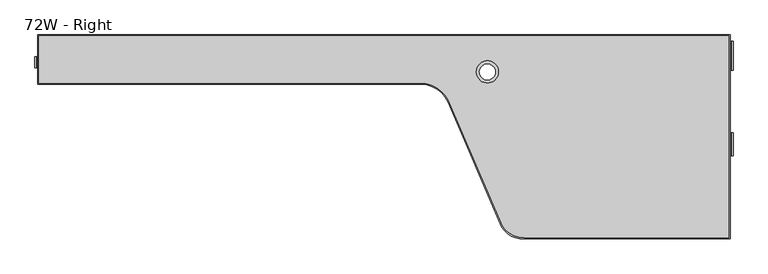
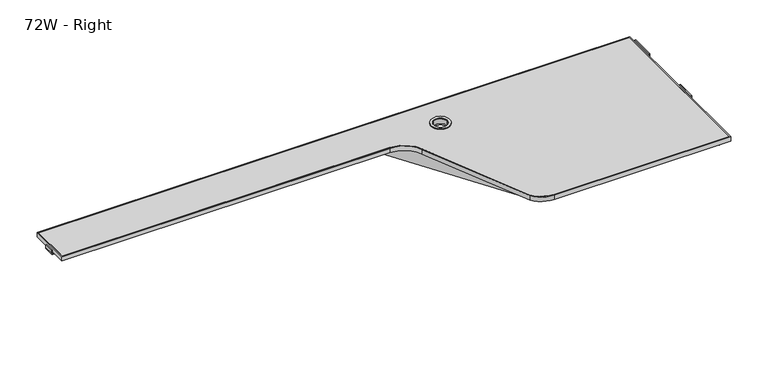
"""IFC4 building model written with IfcOpenShell, lengths in millimetres: furniture geometry, 72W - Right."""

from ifc_helpers import new_model, si_unit, point, frame, frame_2d, origin, place, context, project, spatial, polyline, circle_curve, trimmed, segment, composite_curve, outline, extrude, faceted_brep, source, transform, mapped, element, save
from ifc_brep_helpers import plane_surface, cylinder_surface, revolved_surface, advanced_brep


def furniture_72w_right_2cdcb562(model_context):
    return source(origin(), model_context, "Body", "SolidModel", [
        faceted_brep([(1204.3366315, 798.3804985, 984.3365257), (1134.6016381, 798.3804985, 984.3365257), (1134.6016381, 798.3804985, 1041.4865257), (1204.3366315, 798.3804985, 1041.4865257), (1399.7332275, 353.2724638, 1039.9118156), (1399.7332275, 353.2724638, 1041.4865257), (1379.6232345, 353.2724638, 1041.4865257), (1379.6232345, 353.2724638, 1007.3133509), (1399.7332275, 353.2724638, 1007.3133509), (1399.7332275, 353.2724638, 1008.3955413), (1381.766961, 353.2724638, 1008.3955413), (1381.766961, 353.2724638, 1039.9118156)], [[[0, 1, 2, 3]], [[4, 5, 6, 7, 8, 9, 10, 11]], [[4, 11, 0]], [[11, 10, 0]], [[8, 7, 1, 0]], [[10, 9, 0]], [[9, 8, 0]], [[7, 6, 2, 1]], [[6, 5, 3, 2]], [[5, 4, 0, 3]]]),
        faceted_brep([(1903.2924133, 298.0312383, 1041.4865257), (1903.2924133, 298.0312383, 1040.1793583), (1903.2924133, 309.9526244, 1040.1793583), (1903.2924133, 309.9526244, 1031.5145776), (1903.2924133, 337.4886594, 1010.7646869), (1903.2924133, 353.2724638, 1010.7646869), (1903.2924133, 353.2724638, 1041.4865257), (1381.8049901, 353.2724638, 1041.4865257), (1399.7332275, 313.0049832, 1041.4865257), (1399.7332275, 298.0312383, 1041.4865257), (1381.8049901, 353.2724638, 1010.7646869), (1388.8323926, 337.4886594, 1010.7646869), (1399.7332275, 309.9526244, 1031.5145776), (1399.7332275, 313.0049832, 1029.2144603), (1399.7332275, 309.9526244, 1040.1793583), (1399.7332275, 298.0312383, 1040.1793583)], [[[0, 1, 2, 3, 4, 5, 6]], [[0, 6, 7, 8, 9]], [[6, 5, 10, 7]], [[5, 4, 11, 10]], [[4, 3, 12, 13, 11]], [[3, 2, 14, 12]], [[2, 1, 15, 14]], [[1, 0, 9, 15]], [[8, 13, 12, 14, 15, 9]], [[13, 8, 7, 10, 11]]]),
        extrude(outline(composite_curve([segment(polyline([(1043.0122331, 146.3611724), (1052.5780574, 146.3611724), (1052.5780574, 143.3229857), (1043.4087962, 143.3229857)]), True, "CONTINUOUS"), segment(trimmed(circle_curve(frame_2d((1043.4087962, 148.5250221)), 5.2020364), [point((1043.4087962, 143.3229857))], [point((1038.2067598, 148.5250221))], False, "CARTESIAN"), True, "CONTINUOUS"), segment(polyline([(1038.2067598, 148.5250221), (1038.2067598, 171.0287862), (1041.2445831, 171.0287862), (1041.2445831, 148.1288223)]), True, "CONTINUOUS"), segment(trimmed(circle_curve(frame_2d((1043.0122331, 148.1288223)), 1.7676499), [point((1041.2445831, 148.1288223))], [point((1043.0122331, 146.3611724))], True, "CARTESIAN"), True, "CONTINUOUS")], self_intersect=False)), frame((0.0, 731.0843589, 0.0), z_axis=(0.0, 1.0, 0.0), x_axis=(0.0, 0.0, 1.0)), (0.0, 0.0, 1.0), 28.5750242),
        extrude(outline(composite_curve([segment(polyline([(153.4, 691.0157049), (153.4, 812.4281826), (1925.05, 812.4281826), (1925.05, 294.1411651), (1399.7332275, 294.1411651)]), True, "CONTINUOUS"), segment(trimmed(circle_curve(frame_2d((1399.7332275, 360.8351796)), 66.6940145), [point((1399.7332275, 294.1411651))], [point((1344.3613504, 323.6592897))], False, "CARTESIAN"), True, "CONTINUOUS"), segment(polyline([(1344.3613504, 323.6592897), (1204.3366315, 648.623779)]), True, "CONTINUOUS"), segment(trimmed(circle_curve(frame_2d((1134.6016381, 612.4624834)), 78.5532215), [point((1204.3366315, 648.623779))], [point((1134.6016381, 691.0157049))], True, "CARTESIAN"), True, "CONTINUOUS"), segment(polyline([(1134.6016381, 691.0157049), (153.4, 691.0157049)]), True, "CONTINUOUS")], self_intersect=False), holes=[composite_curve([segment(trimmed(circle_curve(frame_2d((1305.0079342, 720.0618051)), 20.4182782), [point((1284.589656, 720.0618051))], [point((1325.4262125, 720.0618051))], True, "CARTESIAN"), True, "CONTINUOUS"), segment(trimmed(circle_curve(frame_2d((1305.0079342, 720.0618051)), 20.4182782), [point((1325.4262125, 720.0618051))], [point((1284.589656, 720.0618051))], True, "CARTESIAN"), True, "CONTINUOUS")], self_intersect=False)]), frame((0.0, 0.0, 1041.4865257), z_axis=(0.0, 0.0, 1.0), x_axis=(1.0, 0.0, 0.0)), (0.0, 0.0, 1.0), 13.9699806),
        advanced_brep(
        [(1903.2924133, 724.9765806, 1033.5003172), (1906.3294373, 724.9765806, 1033.5003172), (1906.3294373, 724.9765806, 1036.2789253), (1908.2572718, 724.9765806, 1038.2067598), (1931.09999, 724.9765806, 1038.2067598), (1936.3020264, 724.9765806, 1043.4087962), (1936.3020264, 724.9765806, 1052.5780574), (1933.2638397, 724.9765806, 1052.5780574), (1933.2638397, 724.9765806, 1043.0122331), (1931.4961898, 724.9765806, 1041.2445831), (1908.5962259, 724.9765806, 1041.2445831), (1903.2924133, 724.9765806, 1035.9407705), (1903.2924133, 564.321009, 1033.5003172), (1906.3294373, 564.321009, 1033.5003172), (1903.2924133, 564.321009, 1035.9407705), (1908.5962259, 564.321009, 1041.2445831), (1931.4961898, 564.321009, 1041.2445831), (1933.2638397, 564.321009, 1043.0122331), (1933.2638397, 564.321009, 1052.5780574), (1936.3020264, 564.321009, 1052.5780574), (1936.3020264, 564.321009, 1043.4087962), (1931.09999, 564.321009, 1038.2067598), (1908.2572718, 564.321009, 1038.2067598), (1906.3294373, 564.321009, 1036.2789253), (1903.2924133, 505.2663324, 1033.5003172), (1906.3294373, 505.2663324, 1033.5003172), (1906.3294373, 505.2663324, 1036.2789253), (1908.2572718, 505.2663324, 1038.2067598), (1931.09999, 505.2663324, 1038.2067598), (1936.3020264, 505.2663324, 1043.4087962), (1936.3020264, 505.2663324, 1052.5780574), (1933.2638397, 505.2663324, 1052.5780574), (1933.2638397, 505.2663324, 1043.0122331), (1931.4961898, 505.2663324, 1041.2445831), (1908.5962259, 505.2663324, 1041.2445831), (1903.2924133, 505.2663324, 1035.9407705), (1903.2924133, 309.4350479, 1033.5003172), (1906.3294373, 309.4350479, 1033.5003172), (1906.3294373, 798.5617693, 1033.5003172), (1903.2924133, 798.5617693, 1033.5003172), (1903.2924133, 798.5617693, 1035.9407705), (1908.5962259, 798.5617693, 1041.2445831), (1931.4961898, 798.5617693, 1041.2445831), (1933.2638397, 798.5617693, 1043.0122331), (1933.2638397, 798.5617693, 1052.5780574), (1936.3020264, 798.5617693, 1052.5780574), (1936.3020264, 798.5617693, 1043.4087962), (1931.09999, 798.5617693, 1038.2067598), (1908.2572718, 798.5617693, 1038.2067598), (1906.3294373, 798.5617693, 1036.2789253), (1903.2924133, 309.4350479, 1026.050419), (1906.3294373, 309.4350479, 1026.050419), (1903.2924133, 330.4740531, 1010.7646869), (1906.3294373, 330.4740531, 1010.7646869), (1906.3294373, 794.9607992, 1010.7646869), (1903.2924133, 794.9607992, 1010.7646869)],
        [
            (0, 1),
            (1, 2),
            (2, 3, circle_curve(frame((1908.2572718, 724.9765806, 1036.2789253), z_axis=(0.0, 1.0, 0.0), x_axis=(1.0, 0.0, 0.0)), 1.9278345)),
            (3, 4),
            (4, 5, circle_curve(frame((1931.09999, 724.9765806, 1043.4087962), z_axis=(0.0, -1.0, 0.0), x_axis=(1.0, 0.0, 0.0)), 5.2020364)),
            (5, 6),
            (6, 7),
            (7, 8),
            (8, 9, circle_curve(frame((1931.4961898, 724.9765806, 1043.0122331), z_axis=(0.0, 1.0, 0.0), x_axis=(1.0, 0.0, 0.0)), 1.7676499)),
            (9, 10),
            (10, 11, circle_curve(frame((1908.5962259, 724.9765806, 1035.9407705), z_axis=(0.0, -1.0, 0.0), x_axis=(1.0, 0.0, 0.0)), 5.3038126)),
            (11, 0),
            (0, 12),
            (12, 13),
            (13, 1),
            (12, 14),
            (14, 15, circle_curve(frame((1908.5962259, 564.321009, 1035.9407705), z_axis=(0.0, 1.0, 0.0), x_axis=(1.0, 0.0, 0.0)), 5.3038126)),
            (15, 16),
            (16, 17, circle_curve(frame((1931.4961898, 564.321009, 1043.0122331), z_axis=(0.0, -1.0, 0.0), x_axis=(1.0, 0.0, 0.0)), 1.7676499)),
            (17, 18),
            (18, 19),
            (19, 20),
            (20, 21, circle_curve(frame((1931.09999, 564.321009, 1043.4087962), z_axis=(0.0, 1.0, 0.0), x_axis=(1.0, 0.0, 0.0)), 5.2020364)),
            (21, 22),
            (22, 23, circle_curve(frame((1908.2572718, 564.321009, 1036.2789253), z_axis=(0.0, -1.0, 0.0), x_axis=(1.0, 0.0, 0.0)), 1.9278345)),
            (23, 13),
            (24, 25),
            (25, 26),
            (26, 27, circle_curve(frame((1908.2572718, 505.2663324, 1036.2789253), z_axis=(0.0, 1.0, 0.0), x_axis=(1.0, 0.0, 0.0)), 1.9278345)),
            (27, 28),
            (28, 29, circle_curve(frame((1931.09999, 505.2663324, 1043.4087962), z_axis=(0.0, -1.0, 0.0), x_axis=(1.0, 0.0, 0.0)), 5.2020364)),
            (29, 30),
            (30, 31),
            (31, 32),
            (32, 33, circle_curve(frame((1931.4961898, 505.2663324, 1043.0122331), z_axis=(0.0, 1.0, 0.0), x_axis=(1.0, 0.0, 0.0)), 1.7676499)),
            (33, 34),
            (34, 35, circle_curve(frame((1908.5962259, 505.2663324, 1035.9407705), z_axis=(0.0, -1.0, 0.0), x_axis=(1.0, 0.0, 0.0)), 5.3038126)),
            (35, 24),
            (24, 36),
            (36, 37),
            (37, 25),
            (38, 39),
            (39, 40),
            (40, 41, circle_curve(frame((1908.5962259, 798.5617693, 1035.9407705), z_axis=(0.0, 1.0, 0.0), x_axis=(1.0, 0.0, 0.0)), 5.3038126)),
            (41, 42),
            (42, 43, circle_curve(frame((1931.4961898, 798.5617693, 1043.0122331), z_axis=(0.0, -1.0, 0.0), x_axis=(1.0, 0.0, 0.0)), 1.7676499)),
            (43, 44),
            (44, 45),
            (45, 46),
            (46, 47, circle_curve(frame((1931.09999, 798.5617693, 1043.4087962), z_axis=(0.0, 1.0, 0.0), x_axis=(1.0, 0.0, 0.0)), 5.2020364)),
            (47, 48),
            (48, 49, circle_curve(frame((1908.2572718, 798.5617693, 1036.2789253), z_axis=(0.0, -1.0, 0.0), x_axis=(1.0, 0.0, 0.0)), 1.9278345)),
            (49, 38),
            (36, 50),
            (50, 51),
            (51, 37),
            (50, 52),
            (52, 53),
            (53, 51),
            (38, 54),
            (54, 55),
            (55, 39),
            (32, 17),
            (16, 33),
            (8, 43),
            (42, 9),
            (15, 34),
            (41, 10),
            (14, 35),
            (40, 11),
            (55, 52),
            (53, 54),
            (49, 2),
            (23, 26),
            (48, 3),
            (22, 27),
            (21, 28),
            (47, 4),
            (20, 29),
            (46, 5),
            (19, 30),
            (45, 6),
            (18, 31),
            (44, 7),
        ],
        [
            plane_surface(frame((-124.7902, 724.9765806, 1074.5657681), z_axis=(0.0, -1.0, 0.0), x_axis=(1.0, 0.0, 0.0))),
            plane_surface(frame((-124.7902, 724.9765806, 1033.5003172), z_axis=(0.0, 0.0, 1.0), x_axis=(1.0, 0.0, 0.0))),
            plane_surface(frame((-124.7902, 564.321009, 1033.5003172), z_axis=(0.0, 1.0, 0.0), x_axis=(1.0, 0.0, 0.0))),
            plane_surface(frame((-124.7902, 505.2663324, 1074.5657681), z_axis=(0.0, -1.0, 0.0), x_axis=(1.0, 0.0, 0.0))),
            plane_surface(frame((-124.7902, 505.2663324, 1033.5003172), z_axis=(0.0, 0.0, 1.0), x_axis=(1.0, 0.0, 0.0))),
            plane_surface(frame((-124.7902, 798.5617693, 1033.5003172), z_axis=(0.0, 1.0, 0.0), x_axis=(1.0, 0.0, 0.0))),
            plane_surface(frame((-124.7902, 309.4350479, 1033.5003172), z_axis=(0.0, -1.0, 0.0), x_axis=(1.0, 0.0, 0.0))),
            plane_surface(frame((-124.7902, 309.4350479, 1026.050419), z_axis=(0.0, -0.5877852522924748, -0.8090169943749463), x_axis=(1.0, 0.0, 0.0))),
            plane_surface(frame((-124.7902, 791.6082574, 989.5975705), z_axis=(0.0, 0.9876883405951379, -0.1564344650402303), x_axis=(1.0, 0.0, 0.0))),
            revolved_surface(polyline([(1933.2638396999998, 564.321009, 1043.0122331), (1933.2638396999998, 505.2663324, 1043.0122331)]), (1931.4961898, 815.2221738, 1043.0122331), (0.0, 1.0, 0.0)),
            revolved_surface(polyline([(1933.2638396999998, 798.5617693, 1043.0122331), (1933.2638396999998, 724.9765806, 1043.0122331)]), (1931.4961898, 815.2221738, 1043.0122331), (0.0, 1.0, 0.0)),
            plane_surface(frame((1931.4961898, 294.1411651, 1041.2445831), z_axis=(0.0, 0.0, 1.0), x_axis=(0.0, 1.0, 0.0))),
            cylinder_surface(frame((1908.5962259, 815.2221738, 1035.9407705), z_axis=(0.0, -1.0, 0.0), x_axis=(1.0, 0.0, 0.0)), 5.3038126),
            plane_surface(frame((1903.2924133, 294.1411651, 1035.9407705), z_axis=(-1.0, 0.0, 0.0), x_axis=(0.0, 1.0, 0.0))),
            plane_surface(frame((1906.3294373, 294.1411651, 1010.7646869), z_axis=(1.0, 0.0, 0.0), x_axis=(0.0, 1.0, 0.0))),
            revolved_surface(polyline([(1910.1851063, 798.5617693, 1036.2789253), (1910.1851063, 724.9765806, 1036.2789253)]), (1908.2572718, 815.2221738, 1036.2789253), (0.0, 1.0, 0.0)),
            revolved_surface(polyline([(1910.1851063, 564.321009, 1036.2789253), (1910.1851063, 505.2663324, 1036.2789253)]), (1908.2572718, 815.2221738, 1036.2789253), (0.0, 1.0, 0.0)),
            plane_surface(frame((1908.2572718, 294.1411651, 1038.2067598), z_axis=(0.0, 0.0, -1.0), x_axis=(0.0, 1.0, 0.0))),
            cylinder_surface(frame((1931.09999, 815.2221738, 1043.4087962), z_axis=(0.0, -1.0, 0.0), x_axis=(1.0, 0.0, 0.0)), 5.2020364),
            plane_surface(frame((1936.3020264, 294.1411651, 1043.4087962), z_axis=(1.0, 0.0, -2.3619506567363376e-12), x_axis=(0.0, 1.0, 0.0))),
            plane_surface(frame((1936.3020264, 294.1411651, 1052.5780574), z_axis=(0.0, 0.0, 1.0), x_axis=(0.0, 1.0, 0.0))),
            plane_surface(frame((1933.2638397, 294.1411651, 1052.5780574), z_axis=(-1.0, 0.0, 0.0), x_axis=(0.0, 1.0, 0.0))),
            plane_surface(frame((1903.2924133, 294.1411651, 1010.7646869), z_axis=(0.0, 0.0, -1.0), x_axis=(0.0, 1.0, 0.0))),
        ],
        [
            (0, [[1, 2, 3, 4, 5, 6, 7, 8, 9, 10, 11, 12]]),
            (1, [[-1, 13, 14, 15]]),
            (2, [[-14, 16, 17, 18, 19, 20, 21, 22, 23, 24, 25, 26]]),
            (3, [[27, 28, 29, 30, 31, 32, 33, 34, 35, 36, 37, 38]]),
            (4, [[-27, 39, 40, 41]]),
            (5, [[42, 43, 44, 45, 46, 47, 48, 49, 50, 51, 52, 53]]),
            (6, [[-40, 54, 55, 56]]),
            (7, [[-55, 57, 58, 59]]),
            (8, [[-42, 60, 61, 62]]),
            (9, [[63, -19, 64, -35]]),
            (10, [[65, -46, 66, -9]]),
            (11, [[-64, -18, 67, -36]]),
            (11, [[-66, -45, 68, -10]]),
            (12, [[-67, -17, 69, -37]]),
            (12, [[-68, -44, 70, -11]]),
            (13, [[-69, -16, -13, -12, -70, -43, -62, 71, -57, -54, -39, -38]]),
            (14, [[72, -60, -53, 73, -2, -15, -26, 74, -28, -41, -56, -59]]),
            (15, [[-73, -52, 75, -3]]),
            (16, [[-74, -25, 76, -29]]),
            (17, [[-76, -24, 77, -30]]),
            (17, [[-75, -51, 78, -4]]),
            (18, [[-77, -23, 79, -31]]),
            (18, [[-78, -50, 80, -5]]),
            (19, [[-79, -22, 81, -32]]),
            (19, [[-80, -49, 82, -6]]),
            (20, [[-81, -21, 83, -33]]),
            (20, [[-82, -48, 84, -7]]),
            (21, [[-63, -34, -83, -20]]),
            (21, [[-65, -8, -84, -47]]),
            (22, [[-72, -58, -71, -61]]),
        ],
    ),
        extrude(outline(composite_curve([segment(polyline([(1010.7646869, 1925.05), (1010.7646869, 1928.6059845), (1038.2299042, 1928.6059845)]), True, "CONTINUOUS"), segment(trimmed(circle_curve(frame_2d((1038.2299042, 1925.5911551)), 3.0148294), [point((1038.2299042, 1928.6059845))], [point((1041.2445831, 1925.621279))], False, "CARTESIAN"), True, "CONTINUOUS"), segment(polyline([(1041.2445831, 1925.621279), (1041.2445831, 1908.4140454)]), True, "CONTINUOUS"), segment(trimmed(circle_curve(frame_2d((1036.122951, 1908.4140454)), 5.1216321), [point((1041.2445831, 1908.4140454))], [point((1038.2067598, 1903.7354926))], False, "CARTESIAN"), True, "CONTINUOUS"), segment(polyline([(1038.2067598, 1903.7354926), (1038.2067598, 1925.05), (1010.7646869, 1925.05)]), True, "CONTINUOUS")], self_intersect=False)), frame((0.0, 567.5617654, 0.0), z_axis=(0.0, 1.0, 0.0), x_axis=(0.0, 0.0, 1.0)), (0.0, 0.0, 1.0), 154.8611003),
        extrude(outline(composite_curve([segment(polyline([(150.6059845, 688.2217075), (150.6059845, 815.2221738), (1928.6059845, 815.2221738), (1928.6059845, 291.3471738), (1399.7332275, 291.3471738)]), True, "CONTINUOUS"), segment(trimmed(circle_curve(frame_2d((1396.5968658, 355.1460501)), 63.8759217), [point((1399.7332275, 291.3471738))], [point((1342.6058651, 321.0124124))], False, "CARTESIAN"), True, "CONTINUOUS"), segment(polyline([(1342.6058651, 321.0124124), (1204.3366315, 641.9028326)]), True, "CONTINUOUS"), segment(trimmed(circle_curve(frame_2d((1134.6016381, 612.5678031)), 75.6539045), [point((1204.3366315, 641.9028326))], [point((1134.6016381, 688.2217075))], True, "CARTESIAN"), True, "CONTINUOUS"), segment(polyline([(1134.6016381, 688.2217075), (150.6059845, 688.2217075)]), True, "CONTINUOUS")], self_intersect=False), holes=[composite_curve([segment(polyline([(1925.05, 812.4281826), (153.4, 812.4281826), (153.4, 691.0157049), (1134.6016381, 691.0157049)]), True, "CONTINUOUS"), segment(trimmed(circle_curve(frame_2d((1134.6016381, 612.4624834)), 78.5532215), [point((1134.6016381, 691.0157049))], [point((1204.3366315, 648.623779))], False, "CARTESIAN"), True, "CONTINUOUS"), segment(polyline([(1204.3366315, 648.623779), (1344.3613504, 323.6592897)]), True, "CONTINUOUS"), segment(trimmed(circle_curve(frame_2d((1399.7332275, 360.8351796)), 66.6940145), [point((1344.3613504, 323.6592897))], [point((1399.7332275, 294.1411651))], True, "CARTESIAN"), True, "CONTINUOUS"), segment(polyline([(1399.7332275, 294.1411651), (1925.05, 294.1411651), (1925.05, 812.4281826)]), True, "CONTINUOUS")], self_intersect=False)]), frame((0.0, 0.0, 1041.4865257), z_axis=(0.0, 0.0, 1.0), x_axis=(1.0, 0.0, 0.0)), (0.0, 0.0, 1.0), 13.9699806),
        extrude(outline(composite_curve([segment(trimmed(circle_curve(frame_2d((1305.4436852, 720.0618051)), 28.3365682), [point((1333.7802533, 720.0618051))], [point((1277.107117, 720.0618051))], False, "CARTESIAN"), True, "CONTINUOUS"), segment(trimmed(circle_curve(frame_2d((1305.4436852, 720.0618051)), 28.3365682), [point((1277.107117, 720.0618051))], [point((1333.7802533, 720.0618051))], False, "CARTESIAN"), True, "CONTINUOUS")], self_intersect=False), holes=[composite_curve([segment(trimmed(circle_curve(frame_2d((1305.4436852, 720.0618051)), 20.4182782), [point((1325.8619634, 720.0618051))], [point((1285.0254069, 720.0618051))], True, "CARTESIAN"), True, "CONTINUOUS"), segment(trimmed(circle_curve(frame_2d((1305.4436852, 720.0618051)), 20.4182782), [point((1285.0254069, 720.0618051))], [point((1325.8619634, 720.0618051))], True, "CARTESIAN"), True, "CONTINUOUS")], self_intersect=False)]), frame((0.0, 0.0, 1036.8869459), z_axis=(0.0, 0.0, 1.0), x_axis=(1.0, 0.0, 0.0)), (0.0, 0.0, 1.0), 21.3373179),
    ])


if __name__ == "__main__":
    model = new_model("IFC4")
    model_context = context("Model", 3, world=origin())
    ifc_project = project(units=[si_unit("LENGTHUNIT", "METRE", prefix="MILLI")], contexts=[model_context])
    site = spatial("IfcSite", under=ifc_project)
    building = spatial("IfcBuilding", under=site)
    placement = place(None, origin())
    furniture_72w_right_shape = furniture_72w_right_2cdcb562(model_context)
    element("IfcFurniture", 1, ObjectType="72W - Right", at=placement, inside=building, context=model_context, shape_type="MappedRepresentation", body=[
        mapped(furniture_72w_right_shape, transform((0.0, 0.0, 0.0), x_axis=(1.0, 0.0, 0.0), y_axis=(0.0, 1.0, 0.0), z_axis=(0.0, 0.0, 1.0))),
    ])
    save(model, "model.ifc")
